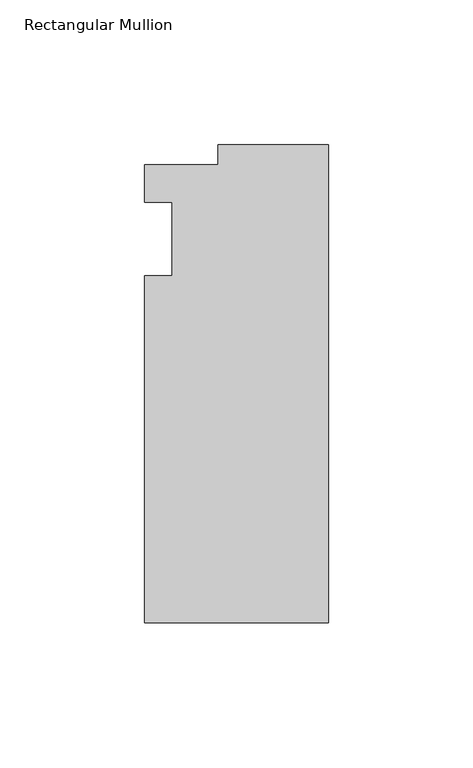
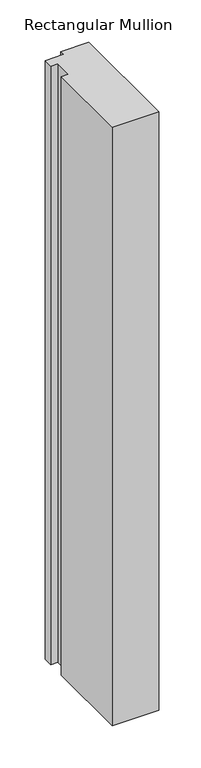
"""IFC4 building model written with IfcOpenShell, lengths in millimetres: member geometry, Rectangular Mullion."""

from ifc_helpers import new_model, si_unit, frame, origin, place, context, project, spatial, polyline, outline, extrude, source, transform, mapped, element, save


def rectangular_mullion_e7c35756(model_context):
    return source(origin(), model_context, "Body", "SweptSolid", [
        extrude(outline(polyline([(-38.1, 32.54375), (0.0, 32.54375), (0.0, -132.55625), (-63.5, -132.55625), (-63.5, -12.7), (-53.975, -12.7), (-53.975, 12.7), (-63.5, 12.7), (-63.5, 25.58415), (-38.1, 25.58415), (-38.1, 32.54375)])), frame((0.0, 0.0, -863.6), z_axis=(0.0, 0.0, 1.0), x_axis=(1.0, 0.0, 0.0)), (0.0, 0.0, 1.0), 863.6),
    ])


if __name__ == "__main__":
    model = new_model("IFC4")
    model_context = context("Model", 3, world=origin())
    ifc_project = project(units=[si_unit("LENGTHUNIT", "METRE", prefix="MILLI")], contexts=[model_context])
    site = spatial("IfcSite", under=ifc_project)
    building = spatial("IfcBuilding", under=site)
    placement = place(None, origin())
    rectangular_mullion_shape = rectangular_mullion_e7c35756(model_context)
    element("IfcMember", 1, ObjectType="Rectangular Mullion", at=placement, inside=building, context=model_context, shape_type="MappedRepresentation", body=[
        mapped(rectangular_mullion_shape, transform((0.0, 0.0, 0.0), x_axis=(1.0, 0.0, 0.0), y_axis=(0.0, 1.0, 0.0), z_axis=(0.0, 0.0, 1.0))),
    ])
    save(model, "model.ifc")
